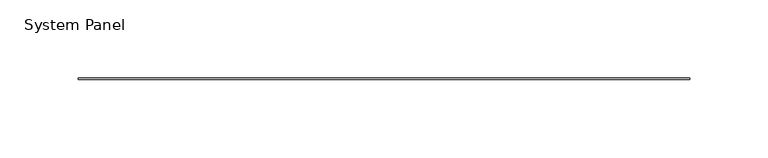
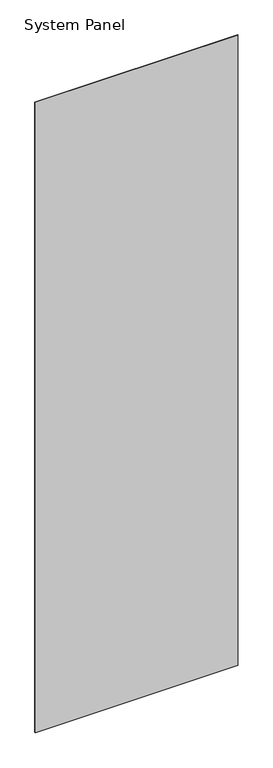
"""IFC4 building model written with IfcOpenShell, lengths in millimetres: plate geometry, System Panel."""

from ifc_helpers import new_model, si_unit, origin, origin_with_axes, place, context, project, spatial, polyline, outline, extrude, source, transform, mapped, element, save


def system_panel_d889cba1(model_context):
    return source(origin(), model_context, "Body", "SweptSolid", [
        extrude(outline(polyline([(195.5165, -0.4960938), (-195.5165, -0.4960938), (-195.5165, 0.4960938), (195.5165, 0.4960938), (195.5165, -0.4960938)])), origin_with_axes(), (0.0, 0.0, 1.0), 1285.875),
    ])


if __name__ == "__main__":
    model = new_model("IFC4")
    model_context = context("Model", 3, world=origin())
    ifc_project = project(units=[si_unit("LENGTHUNIT", "METRE", prefix="MILLI")], contexts=[model_context])
    site = spatial("IfcSite", under=ifc_project)
    building = spatial("IfcBuilding", under=site)
    placement = place(None, origin())
    system_panel_shape = system_panel_d889cba1(model_context)
    element("IfcPlate", 1, ObjectType="System Panel", at=placement, inside=building, context=model_context, shape_type="MappedRepresentation", body=[
        mapped(system_panel_shape, transform((0.0, 0.0, 0.0), x_axis=(1.0, 0.0, 0.0), y_axis=(0.0, 1.0, 0.0), z_axis=(0.0, 0.0, 1.0))),
    ])
    save(model, "model.ifc")
